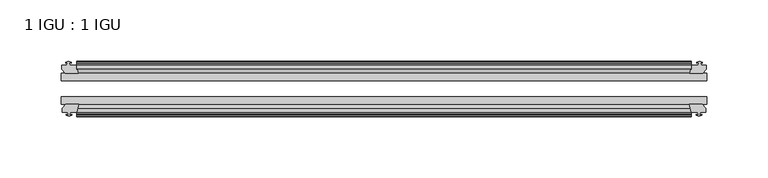
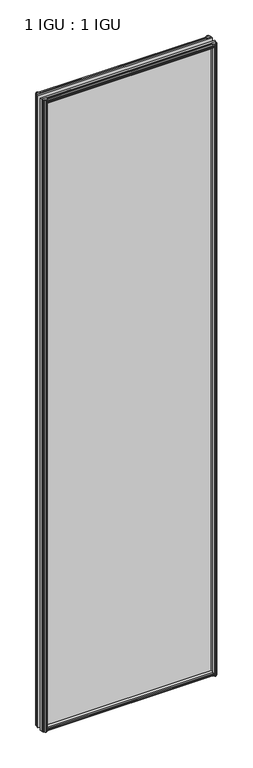
"""IFC4 building model written with IfcOpenShell, lengths in millimetres: plate geometry, 1 IGU : 1 IGU."""

from ifc_helpers import new_model, si_unit, frame, origin, place, context, project, spatial, polyline, outline, extrude, source, transform, mapped, element, save


def plate_1_igu_1_igu_01d18a7a(model_context):
    return source(origin(), model_context, "Body", "SweptSolid", [
        extrude(outline(polyline([(-25.8960937, 1.1970181), (-19.5460937, -0.5207), (-19.5460937, -5.7277), (-17.1658968, -6.1087), (-17.62583, -4.6931709), (-16.8246158, -4.6931709), (-16.1170937, -6.8707), (-16.8246158, -9.0482291), (-17.62583, -9.0482291), (-17.1658968, -7.6327), (-19.5460937, -8.0137), (-19.5460937, -12.4587), (-22.4924937, -12.4587), (-25.8960937, -9.6243578), (-25.8960937, 1.1970181)])), frame((-250.809125, 0.0, 0.0), z_axis=(1.0, 0.0, 0.0), x_axis=(0.0, 1.0, 0.0)), (0.0, 0.0, 1.0), 501.61825),
        extrude(outline(polyline([(-51.2960937, 1.7177181), (-51.2960937, -9.1036578), (-54.6996937, -11.938), (-57.6460937, -11.938), (-57.6460937, -7.493), (-60.0262907, -7.112), (-59.5663575, -8.5275291), (-60.3675717, -8.5275291), (-61.0750937, -6.35), (-60.3675717, -4.1724709), (-59.5663575, -4.1724709), (-60.0262907, -5.588), (-57.6460937, -5.207), (-57.6460937, 0.0), (-51.2960937, 1.7177181)])), frame((-250.809125, 0.0, 0.0), z_axis=(1.0, 0.0, 0.0), x_axis=(0.0, 1.0, 0.0)), (0.0, 0.0, 1.0), 501.61825),
        extrude(outline(polyline([(-57.6460937, 2005.838), (-54.6996937, 2005.838), (-51.2960937, 2003.0036578), (-51.2960937, 1992.1822819), (-57.6460937, 1993.9), (-57.6460937, 1999.107), (-60.0262907, 1999.488), (-59.5663575, 1998.072471), (-60.3675717, 1998.072471), (-61.0750937, 2000.25), (-60.3675717, 2002.4275291), (-59.5663575, 2002.4275291), (-60.0262907, 2001.012), (-57.6460937, 2001.393), (-57.6460937, 2005.838)])), frame((-250.809125, 0.0, 0.0), z_axis=(1.0, 0.0, 0.0), x_axis=(0.0, 1.0, 0.0)), (0.0, 0.0, 1.0), 501.61825),
        extrude(outline(polyline([(-19.5460937, 2006.3587), (-19.5460937, 2001.9137), (-17.1658968, 2001.5327), (-17.62583, 2002.9482291), (-16.8246158, 2002.9482291), (-16.1170937, 2000.7707), (-16.8246158, 1998.593171), (-17.62583, 1998.593171), (-17.1658968, 2000.0087), (-19.5460937, 1999.6277), (-19.5460937, 1994.4207), (-25.8960937, 1992.7029819), (-25.8960937, 2003.5243578), (-22.4924937, 2006.3587), (-19.5460937, 2006.3587)])), frame((-250.809125, 0.0, 0.0), z_axis=(1.0, 0.0, 0.0), x_axis=(0.0, 1.0, 0.0)), (0.0, 0.0, 1.0), 501.61825),
        extrude(outline(polyline([(-257.679825, -16.1170937), (-255.5022959, -16.8246158), (-255.5022959, -17.62583), (-256.917825, -17.1658968), (-256.536825, -19.5460937), (-251.329825, -19.5460937), (-249.6121069, -25.8960937), (-260.4334828, -25.8960937), (-263.267825, -22.4924937), (-263.267825, -19.5460937), (-258.822825, -19.5460937), (-258.441825, -17.1658968), (-259.8573541, -17.62583), (-259.8573541, -16.8246158), (-257.679825, -16.1170937)])), frame((0.0, 0.0, -12.7), z_axis=(0.0, 0.0, 1.0), x_axis=(1.0, 0.0, 0.0)), (0.0, 0.0, 1.0), 2019.3),
        extrude(outline(polyline([(-257.159125, -61.0750938), (-259.3366541, -60.3675717), (-259.3366541, -59.5663575), (-257.921125, -60.0262907), (-258.302125, -57.6460938), (-262.747125, -57.6460938), (-262.747125, -54.6996938), (-259.9127828, -51.2960937), (-249.0914069, -51.2960937), (-250.809125, -57.6460938), (-256.016125, -57.6460938), (-256.397125, -60.0262907), (-254.9815959, -59.5663575), (-254.9815959, -60.3675717), (-257.159125, -61.0750938)])), frame((0.0, 0.0, -12.7), z_axis=(0.0, 0.0, 1.0), x_axis=(1.0, 0.0, 0.0)), (0.0, 0.0, 1.0), 2019.3),
        extrude(outline(polyline([(256.536825, -19.5460937), (256.917825, -17.1658968), (255.5022959, -17.62583), (255.5022959, -16.8246158), (257.679825, -16.1170937), (259.8573541, -16.8246158), (259.8573541, -17.62583), (258.441825, -17.1658968), (258.822825, -19.5460937), (263.267825, -19.5460937), (263.267825, -22.4924937), (260.4334828, -25.8960937), (249.6121069, -25.8960937), (251.329825, -19.5460937), (256.536825, -19.5460937)])), frame((0.0, 0.0, -12.7), z_axis=(0.0, 0.0, 1.0), x_axis=(1.0, 0.0, 0.0)), (0.0, 0.0, 1.0), 2019.3),
        extrude(outline(polyline([(259.9127828, -51.2960937), (262.747125, -54.6996937), (262.747125, -57.6460937), (258.302125, -57.6460937), (257.921125, -60.0262907), (259.3366541, -59.5663575), (259.3366541, -60.3675717), (257.159125, -61.0750937), (254.9815959, -60.3675717), (254.9815959, -59.5663575), (256.397125, -60.0262907), (256.016125, -57.6460937), (250.809125, -57.6460937), (249.0914069, -51.2960937), (259.9127828, -51.2960937)])), frame((0.0, 0.0, -12.7), z_axis=(0.0, 0.0, 1.0), x_axis=(1.0, 0.0, 0.0)), (0.0, 0.0, 1.0), 2019.3),
        extrude(outline(polyline([(-263.509125, -25.8960937), (263.509125, -25.8960937), (263.509125, -32.2460937), (-263.509125, -32.2460937), (-263.509125, -25.8960937)])), frame((0.0, 0.0, -12.7), z_axis=(0.0, 0.0, 1.0), x_axis=(1.0, 0.0, 0.0)), (0.0, 0.0, 1.0), 2019.3),
        extrude(outline(polyline([(263.509125, -45.2686737), (263.509125, -51.2960937), (-263.509125, -51.2960937), (-263.509125, -45.2686737), (263.509125, -45.2686737)])), frame((0.0, 0.0, -12.7), z_axis=(0.0, 0.0, 1.0), x_axis=(1.0, 0.0, 0.0)), (0.0, 0.0, 1.0), 2019.3),
    ])


if __name__ == "__main__":
    model = new_model("IFC4")
    model_context = context("Model", 3, world=origin())
    ifc_project = project(units=[si_unit("LENGTHUNIT", "METRE", prefix="MILLI")], contexts=[model_context])
    site = spatial("IfcSite", under=ifc_project)
    building = spatial("IfcBuilding", under=site)
    placement = place(None, origin())
    plate_1_igu_1_igu_shape = plate_1_igu_1_igu_01d18a7a(model_context)
    element("IfcPlate", 1, ObjectType="1 IGU : 1 IGU", at=placement, inside=building, context=model_context, shape_type="MappedRepresentation", body=[
        mapped(plate_1_igu_1_igu_shape, transform((0.0, 0.0, 0.0), x_axis=(1.0, 0.0, 0.0), y_axis=(0.0, 1.0, 0.0), z_axis=(0.0, 0.0, 1.0))),
    ])
    save(model, "model.ifc")
